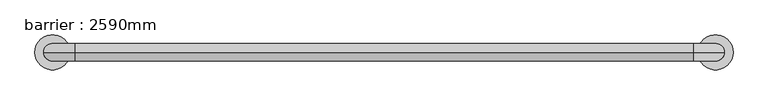
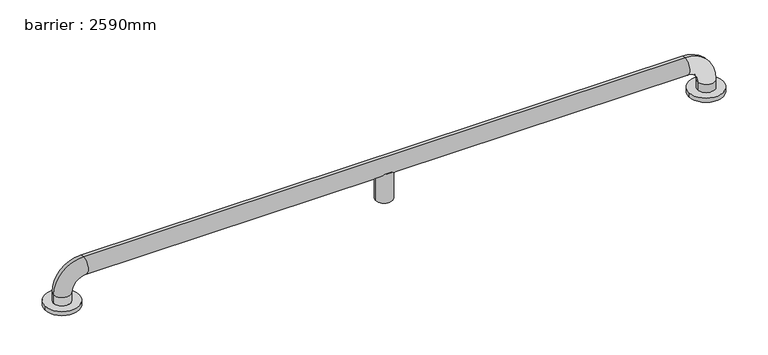
"""IFC4 building model written with IfcOpenShell, lengths in millimetres: geographic element geometry, barrier : 2590mm."""

from ifc_helpers import new_model, si_unit, point, frame, origin, place, context, project, spatial, circle_curve, ellipse_curve, trimmed, source, transform, mapped, element, save
from ifc_brep_helpers import plane_surface, cylinder_surface, revolved_surface, advanced_brep


def barrier_2590mm_f3058861(model_context):
    return source(origin(), model_context, "Body", "AdvancedBrep", [
        advanced_brep(
        [(-33.791913, 0.0, 0.0), (46.208087, 0.0, 0.0), (1469.7729307, 0.0, 0.0), (1549.7729307, 0.0, 0.0), (26.208087, 0.0, 30.0), (26.208087, 0.0, 10.0), (-13.791913, 0.0, 10.0), (-13.791913, 0.0, 30.0), (56.208087, 0.0, 100.0), (56.208087, 0.0, 60.0), (1459.7729307, 0.0, 100.0), (1459.7729307, 0.0, 60.0), (777.9905089, 0.0, 60.0), (766.6842201, 18.0116458, 71.3062888), (749.2967977, 18.0116458, 71.3062888), (737.9905089, 0.0, 60.0), (749.2967977, -18.0116458, 71.3062888), (766.6842201, -18.0116458, 71.3062888), (1529.7729307, 0.0, 30.0), (1489.7729307, 0.0, 30.0), (1529.7729307, 0.0, 10.0), (1489.7729307, 0.0, 10.0), (737.9905089, 0.0, 0.0), (777.9905089, 0.0, 0.0), (-33.791913, 0.0, 10.0), (46.208087, 0.0, 10.0), (1469.7729307, 0.0, 10.0), (1549.7729307, 0.0, 10.0)],
        [
            (0, 1, circle_curve(frame((6.208087, 0.0, 0.0), z_axis=(0.0, 0.0, -1.0), x_axis=(1.0, 0.0, 0.0)), 40.0)),
            (1, 0, circle_curve(frame((6.208087, 0.0, 0.0), z_axis=(0.0, 0.0, -1.0), x_axis=(1.0, 0.0, 0.0)), 40.0)),
            (2, 3, circle_curve(frame((1509.7729307, 0.0, 0.0), z_axis=(0.0, 0.0, -1.0), x_axis=(1.0, 0.0, 0.0)), 40.0)),
            (3, 2, circle_curve(frame((1509.7729307, 0.0, 0.0), z_axis=(0.0, 0.0, -1.0), x_axis=(1.0, 0.0, 0.0)), 40.0)),
            (4, 5),
            (5, 6, circle_curve(frame((6.208087, 0.0, 10.0), z_axis=(0.0, 0.0, 1.0), x_axis=(-1.0, 0.0, 0.0)), 20.0)),
            (6, 7),
            (7, 4, circle_curve(frame((6.208087, 0.0, 30.0), z_axis=(0.0, 0.0, -1.0), x_axis=(-1.0, 0.0, 0.0)), 20.0)),
            (6, 5, circle_curve(frame((6.208087, 0.0, 10.0), z_axis=(0.0, 0.0, 1.0), x_axis=(-1.0, 0.0, 0.0)), 20.0)),
            (4, 7, circle_curve(frame((6.208087, 0.0, 30.0), z_axis=(0.0, 0.0, -1.0), x_axis=(-1.0, 0.0, 0.0)), 20.0)),
            (7, 8, circle_curve(frame((56.208087, 0.0, 30.0), z_axis=(0.0, 1.0, 0.0), x_axis=(-1.0, 0.0, 0.0)), 70.0)),
            (8, 9, circle_curve(frame((56.208087, 0.0, 80.0), z_axis=(-1.0, 0.0, 0.0), x_axis=(0.0, 0.0, 1.0)), 20.0)),
            (9, 4, circle_curve(frame((56.208087, 0.0, 30.0), z_axis=(0.0, -1.0, 0.0), x_axis=(-1.0, 0.0, 0.0)), 30.0)),
            (9, 8, circle_curve(frame((56.208087, 0.0, 80.0), z_axis=(-1.0, 0.0, 0.0), x_axis=(0.0, 0.0, 1.0)), 20.0)),
            (8, 10),
            (10, 11, circle_curve(frame((1459.7729307, 0.0, 80.0), z_axis=(-1.0, 0.0, 0.0), x_axis=(0.0, 0.0, 1.0)), 20.0)),
            (11, 12),
            (12, 13, ellipse_curve(frame((757.9905089, 0.0, 80.0), z_axis=(0.7071067811865475, 0.0, 0.7071067811865475), x_axis=(-0.7071067811865476, 0.0, 0.7071067811865474)), 28.2842712, 20.0)),
            (13, 14),
            (14, 15, ellipse_curve(frame((757.9905089, 0.0, 80.0), z_axis=(-0.7071067811865475, 0.0, 0.7071067811865475), x_axis=(-0.7071067811865476, 0.0, -0.7071067811865474)), 28.2842712, 20.0)),
            (15, 9),
            (15, 16, ellipse_curve(frame((757.9905089, 0.0, 80.0), z_axis=(-0.7071067811865475, 0.0, 0.7071067811865475), x_axis=(-0.7071067811865476, 0.0, -0.7071067811865474)), 28.2842712, 20.0)),
            (16, 17),
            (17, 12, ellipse_curve(frame((757.9905089, 0.0, 80.0), z_axis=(0.7071067811865475, 0.0, 0.7071067811865475), x_axis=(-0.7071067811865476, 0.0, 0.7071067811865474)), 28.2842712, 20.0)),
            (11, 10, circle_curve(frame((1459.7729307, 0.0, 80.0), z_axis=(-1.0, 0.0, 0.0), x_axis=(0.0, 0.0, 1.0)), 20.0)),
            (10, 18, circle_curve(frame((1459.7729307, 0.0, 30.0), z_axis=(0.0, 1.0, 0.0), x_axis=(0.0, 0.0, 1.0)), 70.0)),
            (18, 19, circle_curve(frame((1509.7729307, 0.0, 30.0), z_axis=(0.0, 0.0, 1.0), x_axis=(1.0, 0.0, 0.0)), 20.0)),
            (19, 11, circle_curve(frame((1459.7729307, 0.0, 30.0), z_axis=(0.0, -1.0, 0.0), x_axis=(0.0, 0.0, 1.0)), 30.0)),
            (19, 18, circle_curve(frame((1509.7729307, 0.0, 30.0), z_axis=(0.0, 0.0, 1.0), x_axis=(1.0, 0.0, 0.0)), 20.0)),
            (18, 20),
            (20, 21, circle_curve(frame((1509.7729307, 0.0, 10.0), z_axis=(0.0, 0.0, 1.0), x_axis=(1.0, 0.0, 0.0)), 20.0)),
            (21, 19),
            (21, 20, circle_curve(frame((1509.7729307, 0.0, 10.0), z_axis=(0.0, 0.0, 1.0), x_axis=(1.0, 0.0, 0.0)), 20.0)),
            (22, 23, circle_curve(frame((757.9905089, 0.0, 0.0), z_axis=(0.0, 0.0, -1.0), x_axis=(1.0, 0.0, 0.0)), 20.0)),
            (23, 22, circle_curve(frame((757.9905089, 0.0, 0.0), z_axis=(0.0, 0.0, -1.0), x_axis=(1.0, 0.0, 0.0)), 20.0)),
            (22, 15),
            (14, 13, circle_curve(frame((757.9905089, 0.0, 71.3062888), z_axis=(0.0, 0.0, -1.0), x_axis=(1.0, 0.0, 0.0)), 20.0)),
            (12, 23),
            (17, 16, circle_curve(frame((757.9905089, 0.0, 71.3062888), z_axis=(0.0, 0.0, -1.0), x_axis=(1.0, 0.0, 0.0)), 20.0)),
            (24, 25, circle_curve(frame((6.208087, 0.0, 10.0), z_axis=(0.0, 0.0, 1.0), x_axis=(1.0, 0.0, 0.0)), 40.0)),
            (25, 24, circle_curve(frame((6.208087, 0.0, 10.0), z_axis=(0.0, 0.0, 1.0), x_axis=(1.0, 0.0, 0.0)), 40.0)),
            (26, 27, circle_curve(frame((1509.7729307, 0.0, 10.0), z_axis=(0.0, 0.0, 1.0), x_axis=(1.0, 0.0, 0.0)), 40.0)),
            (27, 26, circle_curve(frame((1509.7729307, 0.0, 10.0), z_axis=(0.0, 0.0, 1.0), x_axis=(1.0, 0.0, 0.0)), 40.0)),
            (25, 1),
            (0, 24),
            (27, 3),
            (2, 26),
        ],
        [
            plane_surface(frame((6.208087, 20.0, 0.0), z_axis=(0.0, 0.0, -1.0), x_axis=(1.0, 0.0, 0.0))),
            cylinder_surface(frame((6.208087, 0.0, 0.0), z_axis=(0.0, 0.0, -1.0), x_axis=(-1.0, 0.0, 0.0)), 20.0),
            revolved_surface(trimmed(ellipse_curve(frame((6.208087, 0.0, 30.0), z_axis=(0.0, 0.0, 1.0), x_axis=(-1.0, 0.0, 0.0)), 20.0, 20.0), [point((26.208087, 0.0, 30.0))], [point((-13.791913, 0.0, 30.0))], True, "CARTESIAN"), (56.208087, 0.0, 30.0), (0.0, -1.0, 0.0)),
            revolved_surface(trimmed(ellipse_curve(frame((6.208087, 0.0, 30.0), z_axis=(0.0, 0.0, 1.0), x_axis=(-1.0, 0.0, 0.0)), 20.0, 20.0), [point((-13.791913, 0.0, 30.0))], [point((26.208087, 0.0, 30.0))], True, "CARTESIAN"), (56.208087, 0.0, 30.0), (0.0, -1.0, 0.0)),
            cylinder_surface(frame((56.208087, 0.0, 80.0), z_axis=(-1.0, 0.0, 0.0), x_axis=(0.0, 0.0, 1.0)), 20.0),
            revolved_surface(trimmed(ellipse_curve(frame((1459.7729307, 0.0, 80.0), z_axis=(1.0, 0.0, 0.0), x_axis=(0.0, 0.0, 1.0)), 20.0, 20.0), [point((1459.7729307, 0.0, 60.0))], [point((1459.7729307, 0.0, 100.0))], True, "CARTESIAN"), (1459.7729307, 0.0, 30.0), (0.0, -1.0, 0.0)),
            revolved_surface(trimmed(ellipse_curve(frame((1459.7729307, 0.0, 80.0), z_axis=(1.0, 0.0, 0.0), x_axis=(0.0, 0.0, 1.0)), 20.0, 20.0), [point((1459.7729307, 0.0, 100.0))], [point((1459.7729307, 0.0, 60.0))], True, "CARTESIAN"), (1459.7729307, 0.0, 30.0), (0.0, -1.0, 0.0)),
            cylinder_surface(frame((1509.7729307, 0.0, 30.0), z_axis=(0.0, 0.0, 1.0), x_axis=(1.0, 0.0, 0.0)), 20.0),
            plane_surface(frame((777.9905089, 0.0, 0.0), z_axis=(0.0, 0.0, -1.0), x_axis=(0.0, 1.0, 0.0))),
            cylinder_surface(frame((757.9905089, 0.0, 0.0), z_axis=(0.0, 0.0, 1.0), x_axis=(1.0, 0.0, 0.0)), 20.0),
            plane_surface(frame((46.208087, 0.0, 10.0), z_axis=(0.0, 0.0, 1.0), x_axis=(0.0, -1.0, 0.0))),
            cylinder_surface(frame((6.208087, 0.0, 0.0), z_axis=(0.0, 0.0, 1.0), x_axis=(1.0, 0.0, 0.0)), 40.0),
            cylinder_surface(frame((1509.7729307, 0.0, 0.0), z_axis=(0.0, 0.0, 1.0), x_axis=(1.0, 0.0, 0.0)), 40.0),
            plane_surface(frame((777.9905089, 0.0, 71.3062888), z_axis=(0.0, 0.0, 1.0), x_axis=(0.0, -1.0, 0.0))),
        ],
        [
            (0, [[1, 2]]),
            (0, [[3, 4]]),
            (1, [[5, 6, 7, 8]]),
            (1, [[-7, 9, -5, 10]]),
            (2, [[11, 12, 13, -8]]),
            (3, [[-13, 14, -11, -10]]),
            (4, [[15, 16, 17, 18, 19, 20, 21, -12]]),
            (4, [[-21, 22, 23, 24, -17, 25, -15, -14]]),
            (5, [[26, 27, 28, -16]]),
            (6, [[-28, 29, -26, -25]]),
            (7, [[30, 31, 32, -27]]),
            (7, [[-32, 33, -30, -29]]),
            (8, [[34, 35]]),
            (9, [[36, -20, 37, -18, 38, -34]]),
            (9, [[-38, -24, 39, -22, -36, -35]]),
            (10, [[40, 41], [-9, -6]]),
            (10, [[42, 43], [-33, -31]]),
            (11, [[44, -1, 45, -41]]),
            (11, [[-45, -2, -44, -40]]),
            (12, [[46, -3, 47, -43]]),
            (12, [[-47, -4, -46, -42]]),
            (13, [[-19, -37]]),
            (13, [[-23, -39]]),
        ],
    ),
    ])


if __name__ == "__main__":
    model = new_model("IFC4")
    model_context = context("Model", 3, world=origin())
    ifc_project = project(units=[si_unit("LENGTHUNIT", "METRE", prefix="MILLI")], contexts=[model_context])
    site = spatial("IfcSite", under=ifc_project)
    building = spatial("IfcBuilding", under=site)
    placement = place(None, origin())
    barrier_2590mm_shape = barrier_2590mm_f3058861(model_context)
    element("IfcGeographicElement", 1, ObjectType="barrier : 2590mm", at=placement, inside=building, context=model_context, shape_type="MappedRepresentation", body=[
        mapped(barrier_2590mm_shape, transform((0.0, 0.0, 0.0), x_axis=(1.0, 0.0, 0.0), y_axis=(0.0, 1.0, 0.0), z_axis=(0.0, 0.0, 1.0))),
    ])
    save(model, "model.ifc")
